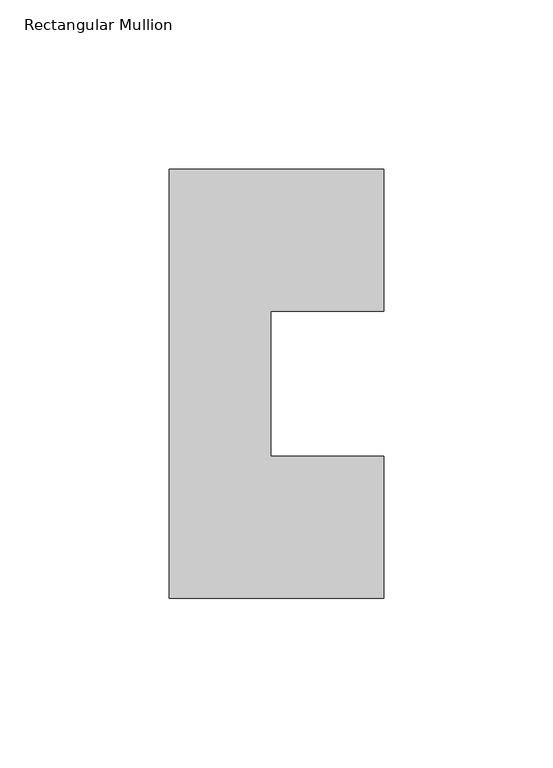
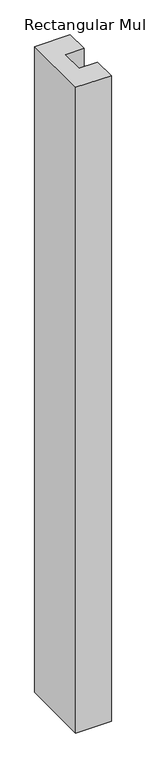
"""IFC4 building model written with IfcOpenShell, lengths in millimetres: member geometry, Rectangular Mullion."""

from ifc_helpers import new_model, si_unit, frame, origin, place, context, project, spatial, polyline, outline, extrude, source, transform, mapped, element, save


def rectangular_mullion_ef1429f3(model_context):
    return source(origin(), model_context, "Body", "SweptSolid", [
        extrude(outline(polyline([(-1.5748, 84.6335938), (-1.5748, 41.7837807), (31.75, 41.7837807), (31.75, -0.2913193), (-31.75, -0.2913193), (-31.75, 126.7086807), (31.75, 126.7086807), (31.75, 84.6335938), (-1.5748, 84.6335938)])), frame((0.0, 0.0, -1219.2), z_axis=(0.0, 0.0, 1.0), x_axis=(1.0, 0.0, 0.0)), (0.0, 0.0, 1.0), 1219.2),
    ])


if __name__ == "__main__":
    model = new_model("IFC4")
    model_context = context("Model", 3, world=origin())
    ifc_project = project(units=[si_unit("LENGTHUNIT", "METRE", prefix="MILLI")], contexts=[model_context])
    site = spatial("IfcSite", under=ifc_project)
    building = spatial("IfcBuilding", under=site)
    placement = place(None, origin())
    rectangular_mullion_shape = rectangular_mullion_ef1429f3(model_context)
    element("IfcMember", 1, ObjectType="Rectangular Mullion", at=placement, inside=building, context=model_context, shape_type="MappedRepresentation", body=[
        mapped(rectangular_mullion_shape, transform((0.0, 0.0, 0.0), x_axis=(1.0, 0.0, 0.0), y_axis=(0.0, 1.0, 0.0), z_axis=(0.0, 0.0, 1.0))),
    ])
    save(model, "model.ifc")
